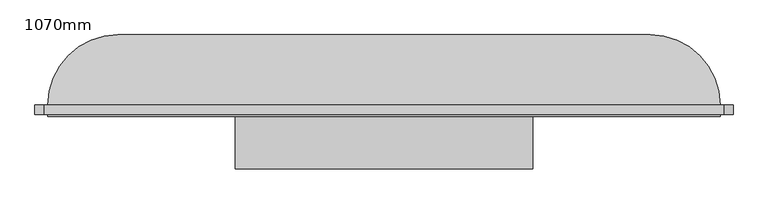
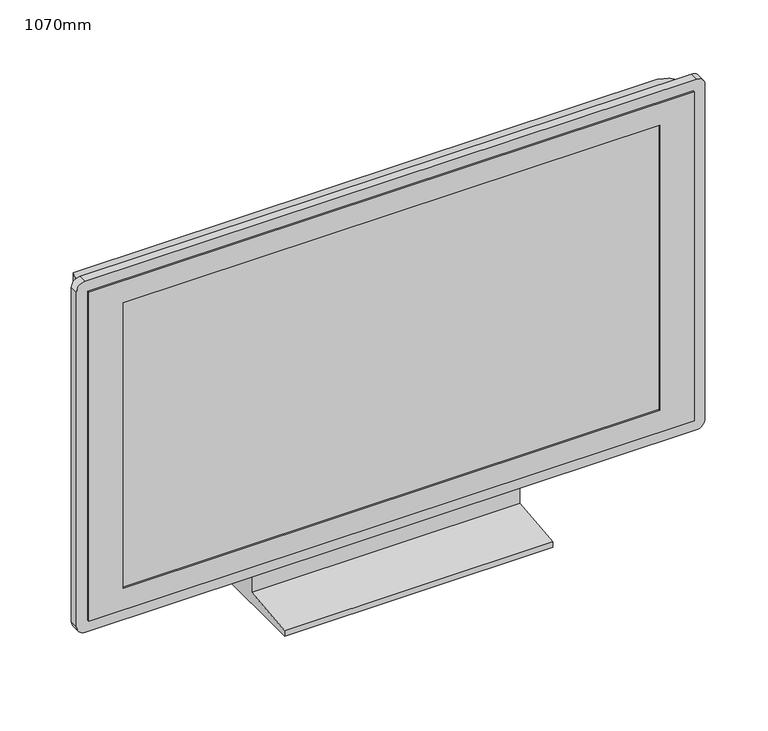
"""IFC4 building model written with IfcOpenShell, lengths in millimetres: furniture geometry, 1070mm."""

from ifc_helpers import new_model, si_unit, point, frame, frame_2d, origin, place, context, project, spatial, polyline, circle_curve, ellipse_curve, trimmed, segment, composite_curve, outline, extrude, faceted_brep, source, transform, mapped, element, save
from ifc_brep_helpers import plane_surface, cylinder_surface, advanced_brep


def furniture_1070mm_7a3aaa4f(model_context):
    return source(origin(), model_context, "Body", "SolidModel", [
        extrude(outline(polyline([(-51.4613764, 80.0), (-1.4613764, 80.0), (48.5386236, 0.0), (-151.4613764, 0.0), (-151.4613764, 10.0), (-51.4613764, 20.0), (-51.4613764, 80.0)])), frame((-237.0858282, 0.0, 0.0), z_axis=(1.0, 0.0, 0.0), x_axis=(0.0, 1.0, 0.0)), (0.0, 0.0, 1.0), 466.2826281),
        faceted_brep([(522.338114, -69.4613764, 684.6160909), (-530.2271423, -69.4613764, 684.6160909), (-530.2271423, -69.4613764, 80.0), (522.338114, -69.4613764, 80.0), (-470.2271423, -69.4613764, 644.6160909), (462.338114, -69.4613764, 644.6160909), (462.338114, -69.4613764, 120.0), (-470.2271423, -69.4613764, 120.0), (522.338114, -51.4613764, 684.6160909), (522.338114, -51.4613764, 80.0), (-530.2271423, -51.4613764, 80.0), (-530.2271423, -51.4613764, 684.6160909), (-470.2271423, -66.4613764, 644.6160909), (-470.2271423, -66.4613764, 120.0), (462.338114, -66.4613764, 120.0), (462.338114, -66.4613764, 644.6160909)], [[[0, 1, 2, 3], [4, 5, 6, 7]], [[8, 9, 10, 11]], [[1, 0, 8, 11]], [[2, 1, 11, 10]], [[3, 2, 10, 9]], [[0, 3, 9, 8]], [[12, 13, 14, 15]], [[12, 15, 5, 4]], [[15, 14, 6, 5]], [[14, 13, 7, 6]], [[13, 12, 4, 7]]]),
        extrude(outline(composite_curve([segment(polyline([(704.6160909, 527.338114), (704.6160909, -535.2271423)]), True, "CONTINUOUS"), segment(trimmed(circle_curve(frame_2d((689.6160909, -535.2271423)), 15.0), [point((704.6160909, -535.2271423))], [point((689.6160909, -550.2271423))], False, "CARTESIAN"), True, "CONTINUOUS"), segment(polyline([(689.6160909, -550.2271423), (75.0, -550.2271423)]), True, "CONTINUOUS"), segment(trimmed(circle_curve(frame_2d((75.0, -535.2271423)), 15.0), [point((75.0, -550.2271423))], [point((60.0, -535.2271423))], False, "CARTESIAN"), True, "CONTINUOUS"), segment(polyline([(60.0, -535.2271423), (60.0, 527.338114)]), True, "CONTINUOUS"), segment(trimmed(circle_curve(frame_2d((75.0, 527.338114)), 15.0), [point((60.0, 527.338114))], [point((75.0, 542.338114))], False, "CARTESIAN"), True, "CONTINUOUS"), segment(polyline([(75.0, 542.338114), (689.6160909, 542.338114)]), True, "CONTINUOUS"), segment(trimmed(circle_curve(frame_2d((689.6160909, 527.338114)), 15.0), [point((689.6160909, 542.338114))], [point((704.6160909, 527.338114))], False, "CARTESIAN"), True, "CONTINUOUS")], self_intersect=False), holes=[polyline([(684.6160909, 522.338114), (80.0, 522.338114), (80.0, -530.2271423), (684.6160909, -530.2271423), (684.6160909, 522.338114)])]), frame((0.0, -66.4613764, 0.0), z_axis=(0.0, 1.0, 0.0), x_axis=(0.0, 0.0, 1.0)), (0.0, 0.0, 1.0), 15.0),
        advanced_brep(
        [(-530.2271423, -51.4613764, 80.0), (522.338114, -51.4613764, 80.0), (522.338114, -51.4613764, 684.6160909), (-530.2271423, -51.4613764, 684.6160909), (412.338114, 58.5386236, 80.0), (-420.2271423, 58.5386236, 80.0), (-420.2271423, 58.5386236, 574.6160909), (412.338114, 58.5386236, 574.6160909)],
        [
            (0, 1),
            (1, 2),
            (2, 3),
            (3, 0),
            (4, 5),
            (5, 6),
            (6, 7),
            (7, 4),
            (0, 5, circle_curve(frame((-420.2271423, -51.4613764, 80.0), z_axis=(0.0, 0.0, -1.0), x_axis=(-1.0, 0.0, 0.0)), 110.0)),
            (4, 1, circle_curve(frame((412.338114, -51.4613764, 80.0), z_axis=(0.0, 0.0, -1.0), x_axis=(1.0, 0.0, 0.0)), 110.0)),
            (7, 2, ellipse_curve(frame((412.338114, -51.4613764, 574.6160909), z_axis=(0.7071067811865475, 0.0, -0.7071067811865475), x_axis=(0.7071067811865474, 0.0, 0.7071067811865476)), 155.5634919, 110.0)),
            (6, 3, ellipse_curve(frame((-420.2271423, -51.4613764, 574.6160909), z_axis=(0.7071067811865475, 0.0, 0.7071067811865475), x_axis=(-0.7071067811865476, 0.0, 0.7071067811865474)), 155.5634919, 110.0)),
        ],
        [
            plane_surface(frame((-530.2271423, -51.4613764, 684.6160909), z_axis=(0.0, -1.0, 0.0), x_axis=(-1.0, 0.0, 0.0))),
            plane_surface(frame((-530.2271423, 58.5386236, 684.6160909), z_axis=(0.0, 1.0, 0.0), x_axis=(1.0, 0.0, 0.0))),
            plane_surface(frame((-530.2271423, -51.4613764, 80.0), z_axis=(0.0, 0.0, -1.0), x_axis=(0.0, 1.0, 0.0))),
            cylinder_surface(frame((412.338114, -51.4613764, 80.0), z_axis=(0.0, 0.0, 1.0), x_axis=(1.0, 0.0, 0.0)), 110.0),
            cylinder_surface(frame((522.338114, -51.4613764, 574.6160909), z_axis=(-1.0, 0.0, 0.0), x_axis=(0.0, 0.0, 1.0)), 110.0),
            cylinder_surface(frame((-420.2271423, -51.4613764, 684.6160909), z_axis=(0.0, 0.0, -1.0), x_axis=(-1.0, 0.0, 0.0)), 110.0),
        ],
        [
            (0, [[1, 2, 3, 4]]),
            (1, [[5, 6, 7, 8]]),
            (2, [[-1, 9, -5, 10]]),
            (3, [[11, -2, -10, -8]]),
            (4, [[-11, -7, 12, -3]]),
            (5, [[-12, -6, -9, -4]]),
        ],
    ),
    ])


if __name__ == "__main__":
    model = new_model("IFC4")
    model_context = context("Model", 3, world=origin())
    ifc_project = project(units=[si_unit("LENGTHUNIT", "METRE", prefix="MILLI")], contexts=[model_context])
    site = spatial("IfcSite", under=ifc_project)
    building = spatial("IfcBuilding", under=site)
    placement = place(None, origin())
    furniture_1070mm_shape = furniture_1070mm_7a3aaa4f(model_context)
    element("IfcFurniture", 1, ObjectType="1070mm", at=placement, inside=building, context=model_context, shape_type="MappedRepresentation", body=[
        mapped(furniture_1070mm_shape, transform((0.0, 0.0, 0.0), x_axis=(1.0, 0.0, 0.0), y_axis=(0.0, 1.0, 0.0), z_axis=(0.0, 0.0, 1.0))),
    ])
    save(model, "model.ifc")
